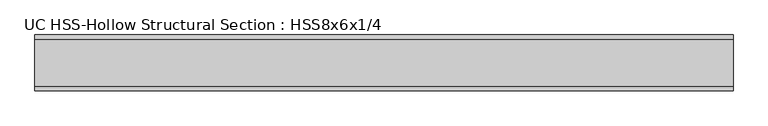
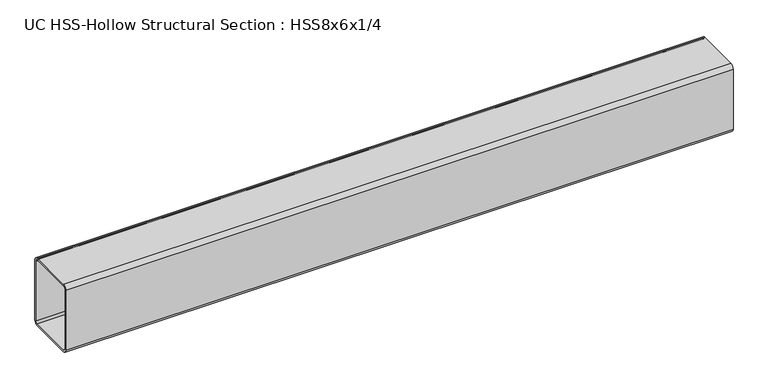
"""IFC4 building model written with IfcOpenShell, lengths in millimetres: beam geometry, UC HSS-Hollow Structural Section : HSS8x6x1/4."""

import ifcopenshell
import ifcopenshell.guid

model = None  # the IFC model being written
_history = None  # IfcOwnerHistory: only IFC2X3 demands one
_inside = {}  # id of a spatial element -> (the spatial element, [elements in it])
_under = {}  # id of a project, library or spatial element -> (it, [spatial elements below it])
_declared = {}  # id of a project -> (the project, [libraries it declares])
_typed = {}  # id of a type object -> (the type object, [elements of that type])
_made_of = {}  # id of a material, layer set ... -> (it, [elements and type objects made of it])


def new_model(schema):
    """Start an empty IFC model of exactly this schema.

    Asked for "IFC4X3", IfcOpenShell would pick the latest addendum, in which some entities
    have other attributes; the version numbers below select the first issue.
    IFC2X3 requires an IfcOwnerHistory on every rooted entity: one is made here for all.
    """
    global model, _history
    if schema == "IFC4X3":
        model = ifcopenshell.file(schema_version=(4, 3, 0, 0))
    else:
        model = ifcopenshell.file(schema=schema)
    _inside.clear()
    _under.clear()
    _declared.clear()
    _typed.clear()
    _made_of.clear()
    _history = None
    if model.schema == "IFC2X3":
        org = make("IfcOrganization", Name="unknown")
        user = make(
            "IfcPersonAndOrganization",
            ThePerson=make("IfcPerson", FamilyName="unknown"),
            TheOrganization=org,
        )
        app = make(
            "IfcApplication",
            ApplicationDeveloper=org,
            Version="unknown",
            ApplicationFullName="unknown",
            ApplicationIdentifier="unknown",
        )
        _history = make(
            "IfcOwnerHistory",
            OwningUser=user,
            OwningApplication=app,
            ChangeAction="ADDED",
            CreationDate=0,
        )
    return model


def make(cls, **values):
    """One entity of the class cls with the attributes given. An attribute that is None is left unset."""
    return model.create_entity(
        cls, **{name: value for name, value in values.items() if value is not None}
    )


def rooted(cls, **values):
    """An entity with a GlobalId (a new one), such as an element, a storey or a relation."""
    return make(cls, GlobalId=ifcopenshell.guid.new(), OwnerHistory=_history, **values)


def si_unit(unit_type, name, prefix=None):
    """IfcSIUnit, for example si_unit("LENGTHUNIT", "METRE", prefix="MILLI")."""
    return make("IfcSIUnit", UnitType=unit_type, Prefix=prefix, Name=name)


def assignment(units):
    """IfcUnitAssignment: the units of a project."""
    return None if units is None else make("IfcUnitAssignment", Units=units)


def point(xyz):
    """IfcCartesianPoint."""
    return None if xyz is None else make("IfcCartesianPoint", Coordinates=xyz)


def direction(xyz):
    """IfcDirection."""
    return None if xyz is None else make("IfcDirection", DirectionRatios=xyz)


def frame(location, z_axis=None, x_axis=None):
    """IfcAxis2Placement3D, a coordinate frame: its origin and axes. An axis left out is left unset."""
    return make(
        "IfcAxis2Placement3D",
        Location=point(location),
        Axis=direction(z_axis),
        RefDirection=direction(x_axis),
    )


def frame_2d(location, x_axis=None):
    """IfcAxis2Placement2D, a coordinate frame in the plane: its origin and x axis."""
    return make(
        "IfcAxis2Placement2D", Location=point(location), RefDirection=direction(x_axis)
    )


def origin():
    """The frame at (0, 0, 0) with its axes left unset."""
    return frame((0.0, 0.0, 0.0))


def place(relative_to, where):
    """IfcLocalPlacement: puts the frame where relative to a parent placement (None: the world)."""
    return make(
        "IfcLocalPlacement", PlacementRelTo=relative_to, RelativePlacement=where
    )


def context(
    kind, dimensions, precision=None, world=None, true_north=None, identifier=None
):
    """IfcGeometricRepresentationContext, for example the 3D "Model" context."""
    return make(
        "IfcGeometricRepresentationContext",
        ContextIdentifier=identifier,
        ContextType=kind,
        CoordinateSpaceDimension=dimensions,
        Precision=precision,
        WorldCoordinateSystem=world,
        TrueNorth=true_north,
    )


def project(units=None, contexts=None):
    """IfcProject with its units and contexts."""
    return rooted(
        "IfcProject",
        Name="project",
        RepresentationContexts=contexts,
        UnitsInContext=assignment(units),
    )


def spatial(cls, under=None, at=None, **own):
    """A site, building, storey or space (cls), placed at a placement, below another one or the project."""
    s = rooted(cls, ObjectPlacement=at, **own)
    if under is not None:
        _under.setdefault(under.id(), (under, []))[1].append(s)
    return s


def polyline(points):
    """IfcPolyline through the points."""
    return make("IfcPolyline", Points=[point(p) for p in points])


def circle_curve(where, radius):
    """IfcCircle in the frame where."""
    return make("IfcCircle", Position=where, Radius=radius)


def trimmed(basis, trim1, trim2, sense, master):
    """IfcTrimmedCurve: the piece of a basis curve between two trims."""
    return make(
        "IfcTrimmedCurve",
        BasisCurve=basis,
        Trim1=trim1,
        Trim2=trim2,
        SenseAgreement=sense,
        MasterRepresentation=master,
    )


def segment(curve, same_sense, transition):
    """IfcCompositeCurveSegment."""
    return make(
        "IfcCompositeCurveSegment",
        Transition=transition,
        SameSense=same_sense,
        ParentCurve=curve,
    )


def composite_curve(segments, self_intersect=None):
    """IfcCompositeCurve: segments joined end to end."""
    return make("IfcCompositeCurve", Segments=segments, SelfIntersect=self_intersect)


def outline(outer, holes=None, kind="AREA"):
    """IfcArbitraryClosedProfileDef: a profile drawn as a closed curve; with holes, ...WithVoids."""
    if holes is None:
        return make("IfcArbitraryClosedProfileDef", ProfileType=kind, OuterCurve=outer)
    return make(
        "IfcArbitraryProfileDefWithVoids",
        ProfileType=kind,
        OuterCurve=outer,
        InnerCurves=holes,
    )


def extrude(swept, where, along, depth):
    """IfcExtrudedAreaSolid: the profile swept, set in the frame where, extruded along a direction by depth."""
    return make(
        "IfcExtrudedAreaSolid",
        SweptArea=swept,
        Position=where,
        ExtrudedDirection=direction(along),
        Depth=depth,
    )


def shape(context_of_items, identifier, shape_type, items):
    """IfcShapeRepresentation: the items that make up one representation, for example the "Body"."""
    return make(
        "IfcShapeRepresentation",
        ContextOfItems=context_of_items,
        RepresentationIdentifier=identifier,
        RepresentationType=shape_type,
        Items=items,
    )


def source(mapping_origin, context_of_items, identifier, shape_type, items):
    """IfcRepresentationMap: a shape defined once, which mapped items show again and again."""
    return make(
        "IfcRepresentationMap",
        MappingOrigin=mapping_origin,
        MappedRepresentation=shape(context_of_items, identifier, shape_type, items),
    )


def transform(
    local_origin,
    x_axis=None,
    y_axis=None,
    z_axis=None,
    scale=None,
    scale2=None,
    scale3=None,
    uniform=True,
):
    """IfcCartesianTransformationOperator3D, or its non-uniform kind. x_axis, y_axis, z_axis: its Axis1, 2, 3."""
    if uniform:
        return make(
            "IfcCartesianTransformationOperator3D",
            Axis1=direction(x_axis),
            Axis2=direction(y_axis),
            LocalOrigin=point(local_origin),
            Scale=scale,
            Axis3=direction(z_axis),
        )
    return make(
        "IfcCartesianTransformationOperator3DnonUniform",
        Axis1=direction(x_axis),
        Axis2=direction(y_axis),
        LocalOrigin=point(local_origin),
        Scale=scale,
        Axis3=direction(z_axis),
        Scale2=scale2,
        Scale3=scale3,
    )


def mapped(mapping_source, mapping_target):
    """IfcMappedItem: shows the shape of a source again, moved by a transform."""
    return make(
        "IfcMappedItem", MappingSource=mapping_source, MappingTarget=mapping_target
    )


def made_of(thing, what):
    """Note that an element or type object is made of a material, layer set ...; save() writes the relation."""
    if what is not None:
        _made_of.setdefault(what.id(), (what, []))[1].append(thing)
    return thing


def element(
    cls,
    number,
    at=None,
    inside=None,
    cuts=None,
    type_object=None,
    material=None,
    context=None,
    identifier="Body",
    shape_type=None,
    held_by="IfcProductDefinitionShape",
    body=None,
    shapes=None,
    **own,
):
    """One element of the class cls, such as IfcWall. Its Tag is "e" and its number.

    at: its placement. inside: the storey or other place that contains it. cuts: it is an
    opening in that element (IfcRelVoidsElement). A single representation is given by context,
    identifier, shape_type and body (its items); several are given by shapes. held_by: the class
    of the entity that holds the representations. save() writes the other relations.
    """
    e = rooted(cls, Tag="e%d" % number, ObjectPlacement=at, **own)
    if body is not None:
        shapes = [shape(context, identifier, shape_type, body)]
    if shapes is not None:
        e.Representation = make(held_by, Representations=shapes)
    if inside is not None:
        _inside.setdefault(inside.id(), (inside, []))[1].append(e)
    if cuts is not None:
        rooted(
            "IfcRelVoidsElement", RelatingBuildingElement=cuts, RelatedOpeningElement=e
        )
    if type_object is not None:
        _typed.setdefault(type_object.id(), (type_object, []))[1].append(e)
    return made_of(e, material)


def aggregate(whole, parts):
    """IfcRelAggregates: a whole, such as a stair, and the parts it consists of."""
    return rooted("IfcRelAggregates", RelatingObject=whole, RelatedObjects=parts)


def save(model, path):
    """Write the relations noted so far, then the file.

    IfcRelAggregates (storeys below a building ...), IfcRelContainedInSpatialStructure (elements
    in a storey), IfcRelDefinesByType, IfcRelAssociatesMaterial and IfcRelDeclares: one each for
    every whole, place, type object, material and project.
    """
    for whole, parts in _under.values():
        aggregate(whole, parts)
    for where, things in _inside.values():
        rooted(
            "IfcRelContainedInSpatialStructure",
            RelatedElements=things,
            RelatingStructure=where,
        )
    for kind, things in _typed.values():
        rooted("IfcRelDefinesByType", RelatedObjects=things, RelatingType=kind)
    for what, things in _made_of.values():
        rooted("IfcRelAssociatesMaterial", RelatedObjects=things, RelatingMaterial=what)
    for by, libraries in _declared.values():
        rooted("IfcRelDeclares", RelatingContext=by, RelatedDefinitions=libraries)
    model.write(path)


def uc_hss_hollow_structural_section_hss8x6x1_4_a8c6e069(model_context):
    return source(origin(), model_context, "Body", "SweptSolid", [
        extrude(outline(composite_curve([segment(polyline([(76.2, 89.7636), (76.2, -89.7636)]), True, "CONTINUOUS"), segment(trimmed(circle_curve(frame_2d((64.3636, -89.7636)), 11.8364), [point((76.2, -89.7636))], [point((64.3636, -101.6))], False, "CARTESIAN"), True, "CONTINUOUS"), segment(polyline([(64.3636, -101.6), (-64.3636, -101.6)]), True, "CONTINUOUS"), segment(trimmed(circle_curve(frame_2d((-64.3636, -89.7636)), 11.8364), [point((-64.3636, -101.6))], [point((-76.2, -89.7636))], False, "CARTESIAN"), True, "CONTINUOUS"), segment(polyline([(-76.2, -89.7636), (-76.2, 89.7636)]), True, "CONTINUOUS"), segment(trimmed(circle_curve(frame_2d((-64.3636, 89.7636)), 11.8364), [point((-76.2, 89.7636))], [point((-64.3636, 101.6))], False, "CARTESIAN"), True, "CONTINUOUS"), segment(polyline([(-64.3636, 101.6), (64.3636, 101.6)]), True, "CONTINUOUS"), segment(trimmed(circle_curve(frame_2d((64.3636, 89.7636)), 11.8364), [point((64.3636, 101.6))], [point((76.2, 89.7636))], False, "CARTESIAN"), True, "CONTINUOUS")], self_intersect=False), holes=[composite_curve([segment(trimmed(circle_curve(frame_2d((-64.3636, 89.7636)), 5.9182), [point((-64.3636, 95.6818))], [point((-70.2818, 89.7636))], True, "CARTESIAN"), True, "CONTINUOUS"), segment(polyline([(-70.2818, 89.7636), (-70.2818, -89.7636)]), True, "CONTINUOUS"), segment(trimmed(circle_curve(frame_2d((-64.3636, -89.7636)), 5.9182), [point((-70.2818, -89.7636))], [point((-64.3636, -95.6818))], True, "CARTESIAN"), True, "CONTINUOUS"), segment(polyline([(-64.3636, -95.6818), (64.3636, -95.6818)]), True, "CONTINUOUS"), segment(trimmed(circle_curve(frame_2d((64.3636, -89.7636)), 5.9182), [point((64.3636, -95.6818))], [point((70.2818, -89.7636))], True, "CARTESIAN"), True, "CONTINUOUS"), segment(polyline([(70.2818, -89.7636), (70.2818, 89.7636)]), True, "CONTINUOUS"), segment(trimmed(circle_curve(frame_2d((64.3636, 89.7636)), 5.9182), [point((70.2818, 89.7636))], [point((64.3636, 95.6818))], True, "CARTESIAN"), True, "CONTINUOUS"), segment(polyline([(64.3636, 95.6818), (-64.3636, 95.6818)]), True, "CONTINUOUS")], self_intersect=False)]), frame((-670.9664079, 0.0, 0.0), z_axis=(1.0, 0.0, 0.0), x_axis=(0.0, 1.0, 0.0)), (0.0, 0.0, 1.0), 1903.1541468),
    ])


if __name__ == "__main__":
    model = new_model("IFC4")
    model_context = context("Model", 3, world=origin())
    ifc_project = project(units=[si_unit("LENGTHUNIT", "METRE", prefix="MILLI")], contexts=[model_context])
    site = spatial("IfcSite", under=ifc_project)
    building = spatial("IfcBuilding", under=site)
    placement = place(None, origin())
    uc_hss_hollow_structural_section_hss8x6x1_4_shape = uc_hss_hollow_structural_section_hss8x6x1_4_a8c6e069(model_context)
    element("IfcBeam", 1, ObjectType="UC HSS-Hollow Structural Section : HSS8x6x1/4", at=placement, inside=building, context=model_context, shape_type="MappedRepresentation", body=[
        mapped(uc_hss_hollow_structural_section_hss8x6x1_4_shape, transform((0.0, 0.0, 0.0), x_axis=(1.0, 0.0, 0.0), y_axis=(0.0, 1.0, 0.0), z_axis=(0.0, 0.0, 1.0))),
    ])
    save(model, "model.ifc")
